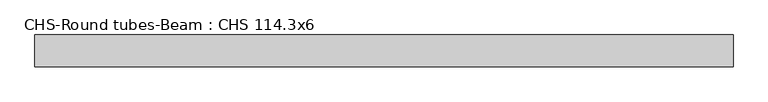
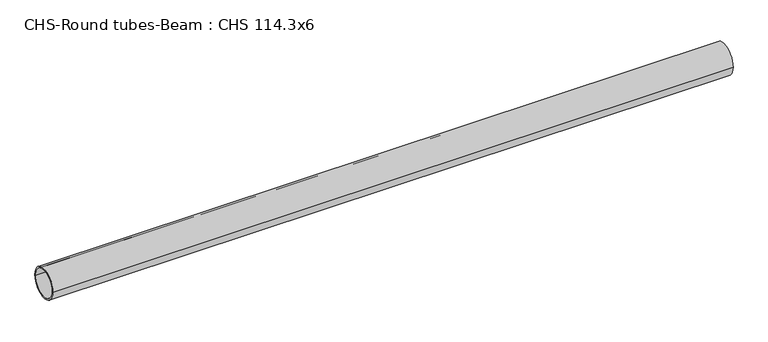
"""IFC4 building model written with IfcOpenShell, lengths in millimetres: beam geometry, CHS-Round tubes-Beam : CHS 114.3x6."""

from ifc_helpers import new_model, si_unit, point, frame, origin, origin_2d, place, context, project, spatial, circle_curve, trimmed, segment, composite_curve, outline, extrude, source, transform, mapped, element, save


def chs_round_tubes_beam_chs_114_3x6_bb2b6381(model_context):
    return source(origin(), model_context, "Body", "SweptSolid", [
        extrude(outline(composite_curve([segment(trimmed(circle_curve(origin_2d(), 57.15), [point((57.15, 0.0))], [point((-57.15, 0.0))], False, "CARTESIAN"), True, "CONTINUOUS"), segment(trimmed(circle_curve(origin_2d(), 57.15), [point((-57.15, 0.0))], [point((57.15, 0.0))], False, "CARTESIAN"), True, "CONTINUOUS")], self_intersect=False), holes=[composite_curve([segment(trimmed(circle_curve(origin_2d(), 51.15), [point((51.15, 0.0))], [point((-51.15, 0.0))], True, "CARTESIAN"), True, "CONTINUOUS"), segment(trimmed(circle_curve(origin_2d(), 51.15), [point((-51.15, 0.0))], [point((51.15, 0.0))], True, "CARTESIAN"), True, "CONTINUOUS")], self_intersect=False)]), frame((-1203.8944618, 0.0, 0.0), z_axis=(1.0, 0.0, 0.0), x_axis=(0.0, 1.0, 0.0)), (0.0, 0.0, 1.0), 2515.3297812),
    ])


if __name__ == "__main__":
    model = new_model("IFC4")
    model_context = context("Model", 3, world=origin())
    ifc_project = project(units=[si_unit("LENGTHUNIT", "METRE", prefix="MILLI")], contexts=[model_context])
    site = spatial("IfcSite", under=ifc_project)
    building = spatial("IfcBuilding", under=site)
    placement = place(None, origin())
    chs_round_tubes_beam_chs_114_3x6_shape = chs_round_tubes_beam_chs_114_3x6_bb2b6381(model_context)
    element("IfcBeam", 1, ObjectType="CHS-Round tubes-Beam : CHS 114.3x6", at=placement, inside=building, context=model_context, shape_type="MappedRepresentation", body=[
        mapped(chs_round_tubes_beam_chs_114_3x6_shape, transform((0.0, 0.0, 0.0), x_axis=(1.0, 0.0, 0.0), y_axis=(0.0, 1.0, 0.0), z_axis=(0.0, 0.0, 1.0))),
    ])
    save(model, "model.ifc")
